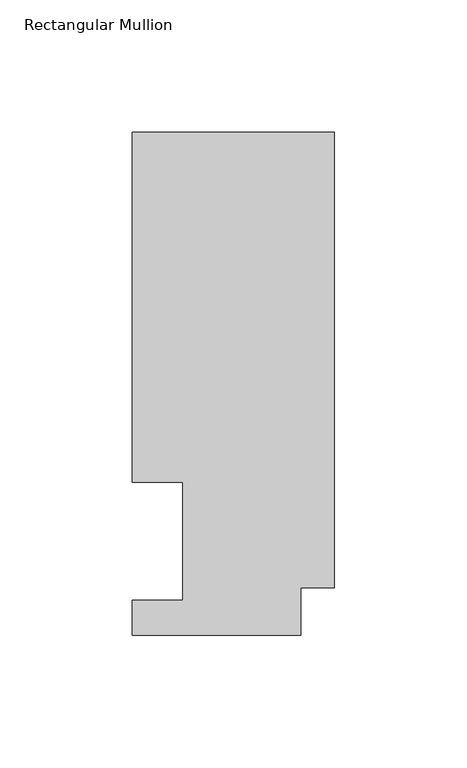
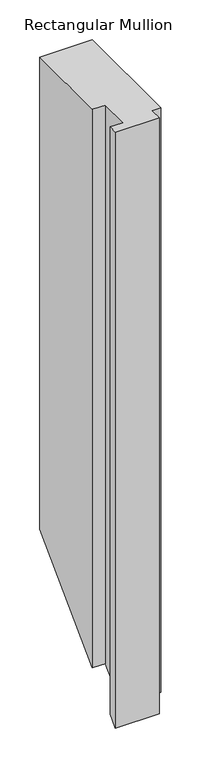
"""IFC4 building model written with IfcOpenShell, lengths in millimetres: member geometry, Rectangular Mullion."""

from ifc_helpers import new_model, si_unit, origin, place, context, project, spatial, faceted_brep, source, transform, mapped, element, save


def rectangular_mullion_f5cb9090(model_context):
    return source(origin(), model_context, "Body", "Brep", [
        faceted_brep([(0.0, 189.8022937, 0.0), (-76.2, 189.8022937, 0.0), (-76.2, 57.6460937, 0.0), (-57.1627, 57.6460937, 0.0), (-57.1627, 13.1960937, 0.0), (-76.2, 13.1960937, 0.0), (-76.2, 0.0134937, 0.0), (-12.7, 0.0134937, 0.0), (-12.7, 17.9712937, 0.0), (0.0, 17.9712937, 0.0), (0.0, 189.8022937, -724.5977063), (-76.2, 189.8022937, -724.5977063), (-76.2, 57.6460937, -856.7539063), (-57.1627, 57.6460937, -856.7539063), (-57.1627, 13.1960937, -901.2039063), (-76.2, 13.1960937, -901.2039063), (-76.2, 0.0134937, -914.3865063), (-12.7, 0.0134937, -914.3865063), (-12.7, 17.9712937, -896.4287063), (0.0, 17.9712937, -896.4287063)], [[[0, 1, 2, 3, 4, 5, 6, 7, 8, 9]], [[1, 0, 10, 11]], [[2, 1, 11, 12]], [[3, 2, 12, 13]], [[4, 3, 13, 14]], [[5, 4, 14, 15]], [[6, 5, 15, 16]], [[7, 6, 16, 17]], [[8, 7, 17, 18]], [[9, 8, 18, 19]], [[0, 9, 19, 10]], [[10, 19, 18, 17, 16, 15, 14, 13, 12, 11]]]),
    ])


if __name__ == "__main__":
    model = new_model("IFC4")
    model_context = context("Model", 3, world=origin())
    ifc_project = project(units=[si_unit("LENGTHUNIT", "METRE", prefix="MILLI")], contexts=[model_context])
    site = spatial("IfcSite", under=ifc_project)
    building = spatial("IfcBuilding", under=site)
    placement = place(None, origin())
    rectangular_mullion_shape = rectangular_mullion_f5cb9090(model_context)
    element("IfcMember", 1, ObjectType="Rectangular Mullion", at=placement, inside=building, context=model_context, shape_type="MappedRepresentation", body=[
        mapped(rectangular_mullion_shape, transform((0.0, 0.0, 0.0), x_axis=(1.0, 0.0, 0.0), y_axis=(0.0, 1.0, 0.0), z_axis=(0.0, 0.0, 1.0))),
    ])
    save(model, "model.ifc")
